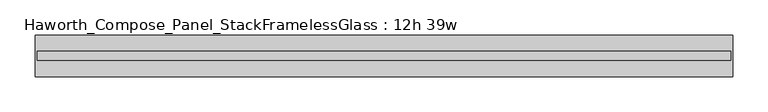
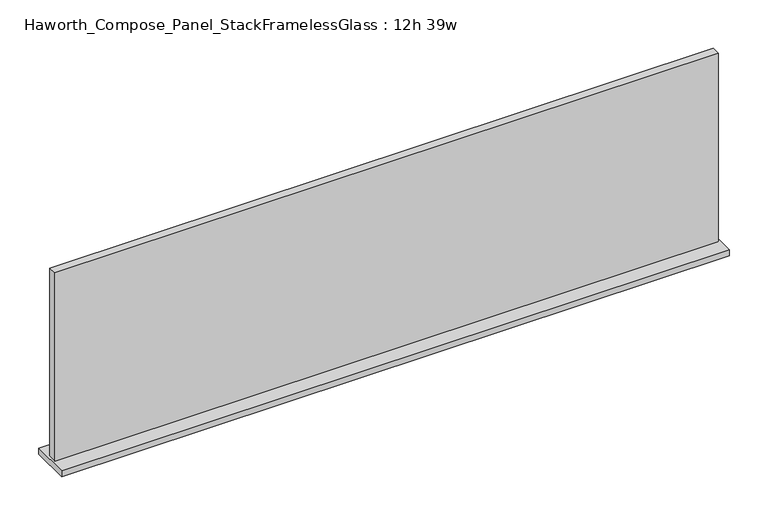
"""IFC4 building model written with IfcOpenShell, lengths in millimetres: furniture geometry, Haworth_Compose_Panel_StackFramelessGlass : 12h 39w."""

from ifc_helpers import new_model, si_unit, frame, origin, place, context, project, spatial, polyline, outline, extrude, source, transform, mapped, element, save


def haworth_compose_panel_stackframelessglass_12h_39w_a7391a38(model_context):
    return source(origin(), model_context, "Body", "SweptSolid", [
        extrude(outline(polyline([(494.5652902, -27.3093594), (-489.6847098, -27.3093594), (-489.6847098, -14.6093594), (494.5652902, -14.6093594), (494.5652902, -27.3093594)])), frame((0.0, 0.0, 1279.525), z_axis=(0.0, 0.0, 1.0), x_axis=(1.0, 0.0, 0.0)), (0.0, 0.0, 1.0), 295.275),
        extrude(outline(polyline([(-492.8597098, -50.3281094), (-492.8597098, 8.4093906), (497.7402902, 8.4093906), (497.7402902, -50.3281094), (-492.8597098, -50.3281094)])), frame((0.0, 0.0, 1270.0), z_axis=(0.0, 0.0, 1.0), x_axis=(1.0, 0.0, 0.0)), (0.0, 0.0, 1.0), 9.525),
    ])


if __name__ == "__main__":
    model = new_model("IFC4")
    model_context = context("Model", 3, world=origin())
    ifc_project = project(units=[si_unit("LENGTHUNIT", "METRE", prefix="MILLI")], contexts=[model_context])
    site = spatial("IfcSite", under=ifc_project)
    building = spatial("IfcBuilding", under=site)
    placement = place(None, origin())
    haworth_compose_panel_stackframelessglass_12h_39w_shape = haworth_compose_panel_stackframelessglass_12h_39w_a7391a38(model_context)
    element("IfcFurniture", 1, ObjectType="Haworth_Compose_Panel_StackFramelessGlass : 12h 39w", at=placement, inside=building, context=model_context, shape_type="MappedRepresentation", body=[
        mapped(haworth_compose_panel_stackframelessglass_12h_39w_shape, transform((0.0, 0.0, 0.0), x_axis=(1.0, 0.0, 0.0), y_axis=(0.0, 1.0, 0.0), z_axis=(0.0, 0.0, 1.0))),
    ])
    save(model, "model.ifc")
